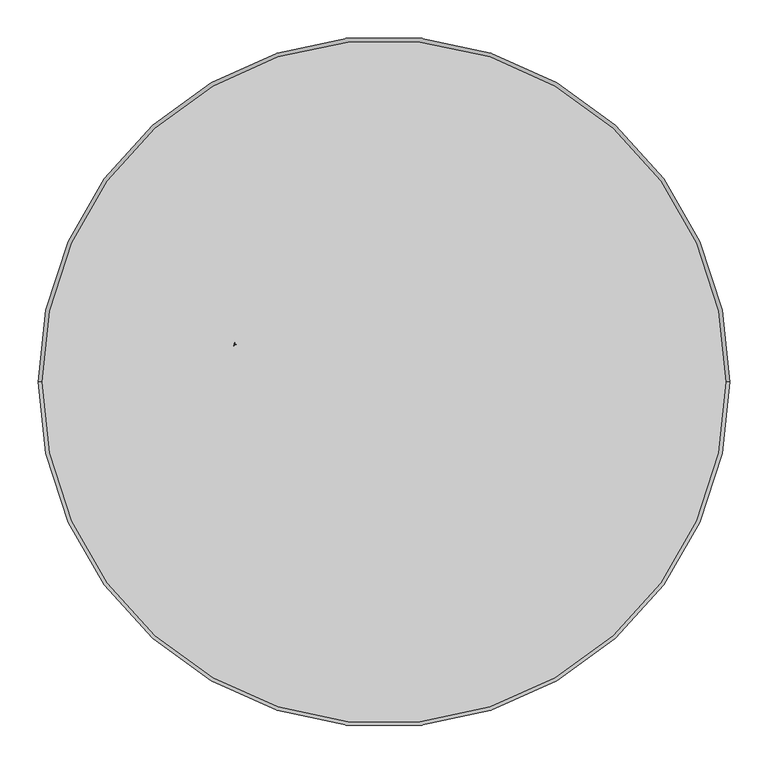
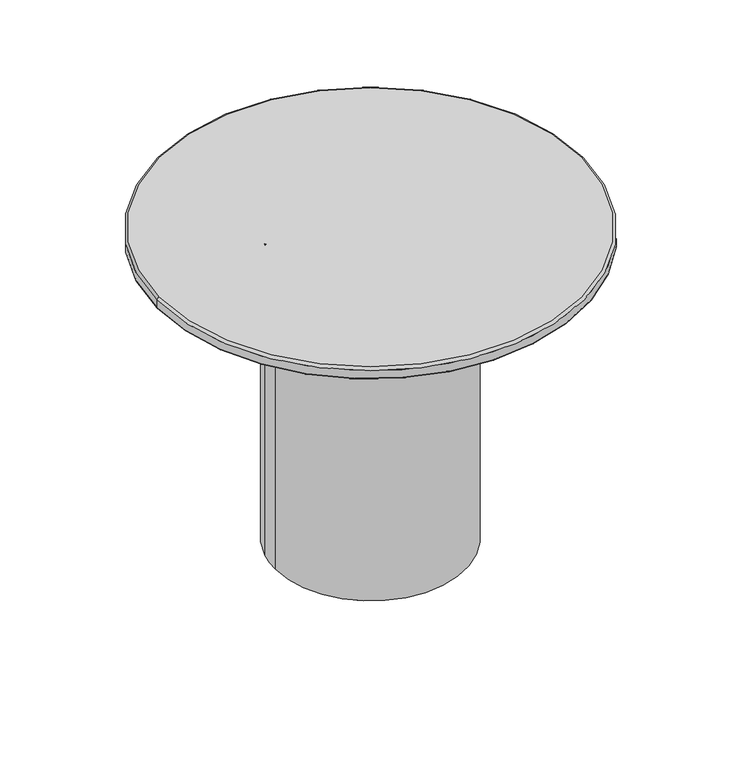
"""IFC4 building model written with IfcOpenShell, lengths in millimetres: furniture geometry."""

from ifc_helpers import new_model, si_unit, point, frame, frame_2d, origin, origin_with_axes, origin_2d, place, context, project, spatial, polyline, circle_curve, ellipse_curve, trimmed, segment, composite_curve, outline, extrude, source, transform, mapped, element, save
from ifc_brep_helpers import plane_surface, cylinder_surface, revolved_surface, advanced_brep


def furniture_22f4feb0(model_context):
    return source(origin(), model_context, "Body", "SolidModel", [
        extrude(outline(composite_curve([segment(trimmed(circle_curve(origin_2d(), 201.3449901), [point((201.3449901, 0.0))], [point((-201.3449901, 0.0))], False, "CARTESIAN"), True, "CONTINUOUS"), segment(trimmed(circle_curve(origin_2d(), 201.3449901), [point((-201.3449901, 0.0))], [point((-195.7691225, 47.0558783))], False, "CARTESIAN"), True, "CONTINUOUS"), segment(trimmed(circle_curve(frame_2d((-193.6090326, 46.1865819)), 2.3284469), [point((-195.7691225, 47.0558783))], [point((-193.0300062, 48.4418853))], False, "CARTESIAN"), True, "CONTINUOUS"), segment(trimmed(circle_curve(frame_2d((-192.4509797, 50.6971886)), 2.3284469), [point((-193.0300062, 48.4418853))], [point((-194.7026111, 51.2903338))], False, "CARTESIAN"), True, "CONTINUOUS"), segment(trimmed(circle_curve(origin_2d(), 201.3449901), [point((-194.7026111, 51.2903338))], [point((201.3449901, 0.0))], False, "CARTESIAN"), True, "CONTINUOUS")], self_intersect=False), holes=[composite_curve([segment(trimmed(circle_curve(origin_2d(), 125.0), [point((-125.0, 0.0))], [point((125.0, 0.0))], True, "CARTESIAN"), True, "CONTINUOUS"), segment(trimmed(circle_curve(origin_2d(), 125.0), [point((125.0, 0.0))], [point((-125.0, 0.0))], True, "CARTESIAN"), True, "CONTINUOUS")], self_intersect=False)]), frame((0.0, 0.0, 4.8896843), z_axis=(0.0, 0.0, 1.0), x_axis=(1.0, 0.0, 0.0)), (0.0, 0.0, 1.0), 670.1103157),
        advanced_brep(
        [(-446.0835594, 0.0, 699.375), (446.0835594, 0.0, 699.375), (-193.0300062, 48.4418853, 699.375), (-195.7691225, 47.0558783, 699.375), (-194.7026109, 51.2903338, 699.375), (449.0835594, 0.0, 675.0), (-449.0835594, 0.0, 675.0), (-195.7691225, 47.0558783, 675.0), (-193.0300062, 48.4418853, 675.0), (-194.7026111, 51.2903338, 675.0), (451.0835594, 0.0, 694.375), (-451.0835594, 0.0, 694.375), (-451.0835594, 0.0, 677.0), (451.0835594, 0.0, 677.0)],
        [
            (0, 1, circle_curve(frame((0.0, 0.0, 699.375), z_axis=(0.0, 0.0, 1.0), x_axis=(1.0, 0.0, 0.0)), 446.0835594)),
            (1, 0, circle_curve(frame((0.0, 0.0, 699.375), z_axis=(0.0, 0.0, 1.0), x_axis=(-1.0, 0.0, 0.0)), 446.0835594)),
            (2, 3, circle_curve(frame((-193.6090326, 46.1865819, 699.375), z_axis=(0.0, 0.0, 1.0), x_axis=(0.8090169943749397, -0.5877852522924838, 0.0)), 2.3284469)),
            (3, 4, circle_curve(frame((0.0, 0.0, 699.375), z_axis=(0.0, 0.0, -1.0), x_axis=(0.8090169943749397, -0.5877852522924838, 0.0)), 201.3449901)),
            (4, 2, circle_curve(frame((-192.4509797, 50.6971886, 699.375), z_axis=(0.0, 0.0, 1.0), x_axis=(0.8090169943749397, -0.5877852522924838, 0.0)), 2.3284469)),
            (5, 6, circle_curve(frame((0.0, 0.0, 675.0), z_axis=(0.0, 0.0, -1.0), x_axis=(-1.0, 0.0, 0.0)), 449.0835594)),
            (6, 5, circle_curve(frame((0.0, 0.0, 675.0), z_axis=(0.0, 0.0, -1.0), x_axis=(1.0, 0.0, 0.0)), 449.0835594)),
            (7, 8, circle_curve(frame((-193.6090326, 46.1865819, 675.0), z_axis=(0.0, 0.0, -1.0), x_axis=(0.8090169943749397, -0.5877852522924838, 0.0)), 2.3284469)),
            (8, 9, circle_curve(frame((-192.4509797, 50.6971886, 675.0), z_axis=(0.0, 0.0, -1.0), x_axis=(0.8090169943749397, -0.5877852522924838, 0.0)), 2.3284469)),
            (9, 7, circle_curve(frame((0.0, 0.0, 675.0), z_axis=(0.0, 0.0, 1.0), x_axis=(0.8090169943749397, -0.5877852522924838, 0.0)), 201.3449901)),
            (10, 11, circle_curve(frame((0.0, 0.0, 694.375), z_axis=(0.0, 0.0, -1.0), x_axis=(1.0, 0.0, 0.0)), 451.0835594)),
            (11, 12),
            (12, 13, circle_curve(frame((0.0, 0.0, 677.0), z_axis=(0.0, 0.0, 1.0), x_axis=(1.0, 0.0, 0.0)), 451.0835594)),
            (13, 10),
            (11, 10, circle_curve(frame((0.0, 0.0, 694.375), z_axis=(0.0, 0.0, -1.0), x_axis=(1.0, 0.0, 0.0)), 451.0835594)),
            (13, 12, circle_curve(frame((0.0, 0.0, 677.0), z_axis=(0.0, 0.0, 1.0), x_axis=(1.0, 0.0, 0.0)), 451.0835594)),
            (5, 13, circle_curve(frame((449.0835594, 0.0, 677.0), z_axis=(0.0, -1.0, 0.0), x_axis=(1.0, 0.0, 0.0)), 2.0)),
            (12, 6, circle_curve(frame((-449.0835594, 0.0, 677.0), z_axis=(0.0, -1.0, 0.0), x_axis=(-1.0, 0.0, 0.0)), 2.0)),
            (0, 11, circle_curve(frame((-446.0835594, 0.0, 694.375), z_axis=(0.0, -1.0, 0.0), x_axis=(-1.0, 0.0, 0.0)), 5.0)),
            (10, 1, circle_curve(frame((446.0835594, 0.0, 694.375), z_axis=(0.0, -1.0, 0.0), x_axis=(1.0, 0.0, 0.0)), 5.0)),
            (7, 3),
            (2, 8),
            (4, 9),
        ],
        [
            plane_surface(frame((451.0835594, 0.0, 699.375), z_axis=(0.0, 0.0, 1.0), x_axis=(0.0, 1.0, 0.0))),
            plane_surface(frame((451.0835594, 0.0, 675.0), z_axis=(0.0, 0.0, -1.0), x_axis=(0.0, -1.0, 0.0))),
            cylinder_surface(frame((0.0, 0.0, 675.0), z_axis=(0.0, 0.0, 1.0), x_axis=(1.0, 0.0, 0.0)), 451.0835594),
            revolved_surface(trimmed(ellipse_curve(frame((-449.0835594, 0.0, 677.0), z_axis=(0.0, 1.0, 0.0), x_axis=(-1.0, 0.0, 0.0)), 2.0, 2.0), [point((-449.0835594, 0.0, 675.0))], [point((-451.0835594, 0.0, 677.0))], True, "CARTESIAN"), (0.0, 0.0, 675.0), (0.0, 0.0, 1.0)),
            revolved_surface(trimmed(ellipse_curve(frame((449.0835594, 0.0, 677.0), z_axis=(0.0, -1.0, 0.0), x_axis=(1.0, 0.0, 0.0)), 2.0, 2.0), [point((449.0835594, 0.0, 675.0))], [point((451.0835594, 0.0, 677.0))], True, "CARTESIAN"), (0.0, 0.0, 675.0), (0.0, 0.0, 1.0)),
            revolved_surface(trimmed(ellipse_curve(frame((446.0835594, 0.0, 694.375), z_axis=(0.0, 1.0, 0.0), x_axis=(1.0, 0.0, 0.0)), 5.0, 5.0), [point((446.0835594, 0.0, 699.375))], [point((451.0835594, 0.0, 694.375))], True, "CARTESIAN"), (0.0, 0.0, 699.375), (0.0, 0.0, -1.0)),
            revolved_surface(trimmed(ellipse_curve(frame((-446.0835594, 0.0, 694.375), z_axis=(0.0, -1.0, 0.0), x_axis=(-1.0, 0.0, 0.0)), 5.0, 5.0), [point((-446.0835594, 0.0, 699.375))], [point((-451.0835594, 0.0, 694.375))], True, "CARTESIAN"), (0.0, 0.0, 699.375), (0.0, 0.0, -1.0)),
            cylinder_surface(frame((-193.6090326, 46.1865819, 0.0), z_axis=(0.0, 0.0, -1.0), x_axis=(0.8090169943749397, -0.5877852522924838, 0.0)), 2.3284469),
            cylinder_surface(frame((-192.4509797, 50.6971886, 0.0), z_axis=(0.0, 0.0, -1.0), x_axis=(0.8090169943749397, -0.5877852522924838, 0.0)), 2.3284469),
            revolved_surface(polyline([(162.89151872315398, -118.34761580375614, 699.375), (162.89151872315398, -118.34761580375614, 675.0)]), (0.0, 0.0, 0.0), (0.0, 0.0, 1.0)),
        ],
        [
            (0, [[1, 2], [3, 4, 5]]),
            (1, [[6, 7], [8, 9, 10]]),
            (2, [[11, 12, 13, 14]]),
            (2, [[15, -14, 16, -12]]),
            (3, [[17, -13, 18, -6]]),
            (4, [[-17, -7, -18, -16]]),
            (5, [[19, -11, 20, -1]]),
            (6, [[-19, -2, -20, -15]]),
            (7, [[21, -3, 22, -8]]),
            (8, [[-22, -5, 23, -9]]),
            (9, [[-21, -10, -23, -4]]),
        ],
    ),
        extrude(outline(composite_curve([segment(trimmed(circle_curve(frame_2d((-155.107534, 106.5775511)), 8.5), [point((-163.607534, 106.5775511))], [point((-146.607534, 106.5775511))], False, "CARTESIAN"), True, "CONTINUOUS"), segment(trimmed(circle_curve(frame_2d((-155.107534, 106.5775511)), 8.5), [point((-146.607534, 106.5775511))], [point((-163.607534, 106.5775511))], False, "CARTESIAN"), True, "CONTINUOUS")], self_intersect=False)), origin_with_axes(), (0.0, 0.0, 1.0), 4.8896843),
        extrude(outline(composite_curve([segment(trimmed(circle_curve(frame_2d((145.3449201, -103.8296822)), 8.5), [point((136.8449201, -103.8296822))], [point((153.8449201, -103.8296822))], False, "CARTESIAN"), True, "CONTINUOUS"), segment(trimmed(circle_curve(frame_2d((145.3449201, -103.8296822)), 8.5), [point((153.8449201, -103.8296822))], [point((136.8449201, -103.8296822))], False, "CARTESIAN"), True, "CONTINUOUS")], self_intersect=False)), origin_with_axes(), (0.0, 0.0, 1.0), 4.8896843),
        extrude(outline(composite_curve([segment(trimmed(circle_curve(frame_2d((100.430356, 151.6572981)), 8.5), [point((91.930356, 151.6572981))], [point((108.930356, 151.6572981))], False, "CARTESIAN"), True, "CONTINUOUS"), segment(trimmed(circle_curve(frame_2d((100.430356, 151.6572981)), 8.5), [point((108.930356, 151.6572981))], [point((91.930356, 151.6572981))], False, "CARTESIAN"), True, "CONTINUOUS")], self_intersect=False)), origin_with_axes(), (0.0, 0.0, 1.0), 4.8896843),
        extrude(outline(composite_curve([segment(trimmed(circle_curve(frame_2d((-110.0360721, -149.0148393)), 8.5), [point((-118.5360721, -149.0148393))], [point((-101.5360721, -149.0148393))], False, "CARTESIAN"), True, "CONTINUOUS"), segment(trimmed(circle_curve(frame_2d((-110.0360721, -149.0148393)), 8.5), [point((-101.5360721, -149.0148393))], [point((-118.5360721, -149.0148393))], False, "CARTESIAN"), True, "CONTINUOUS")], self_intersect=False)), origin_with_axes(), (0.0, 0.0, 1.0), 4.8896843),
    ])


if __name__ == "__main__":
    model = new_model("IFC4")
    model_context = context("Model", 3, world=origin())
    ifc_project = project(units=[si_unit("LENGTHUNIT", "METRE", prefix="MILLI")], contexts=[model_context])
    site = spatial("IfcSite", under=ifc_project)
    building = spatial("IfcBuilding", under=site)
    placement = place(None, origin())
    furniture_shape = furniture_22f4feb0(model_context)
    element("IfcFurniture", 1, at=placement, inside=building, context=model_context, shape_type="MappedRepresentation", body=[
        mapped(furniture_shape, transform((0.0, 0.0, 0.0), x_axis=(1.0, 0.0, 0.0), y_axis=(0.0, 1.0, 0.0), z_axis=(0.0, 0.0, 1.0))),
    ])
    save(model, "model.ifc")
